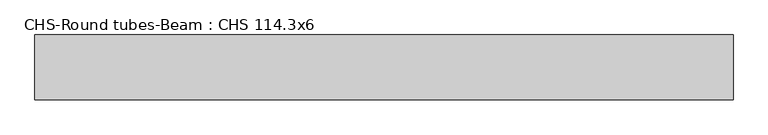
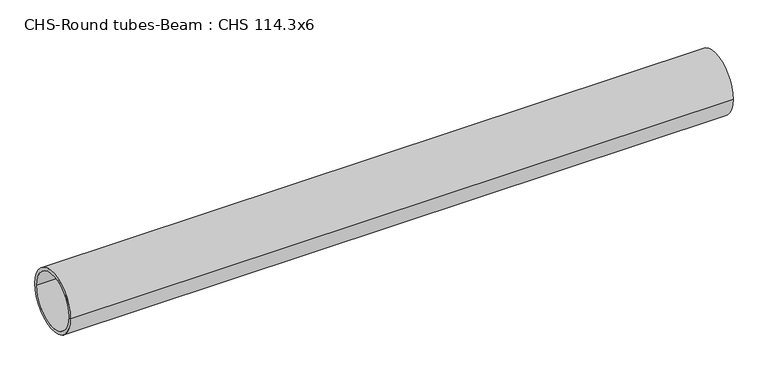
"""IFC4 building model written with IfcOpenShell, lengths in millimetres: beam geometry, CHS-Round tubes-Beam : CHS 114.3x6."""

from ifc_helpers import new_model, si_unit, point, frame, origin, origin_2d, place, context, project, spatial, circle_curve, trimmed, segment, composite_curve, outline, extrude, source, transform, mapped, element, save


def chs_round_tubes_beam_chs_114_3x6_7953896b(model_context):
    return source(origin(), model_context, "Body", "SweptSolid", [
        extrude(outline(composite_curve([segment(trimmed(circle_curve(origin_2d(), 57.15), [point((57.15, 0.0))], [point((-57.15, 0.0))], False, "CARTESIAN"), True, "CONTINUOUS"), segment(trimmed(circle_curve(origin_2d(), 57.15), [point((-57.15, 0.0))], [point((57.15, 0.0))], False, "CARTESIAN"), True, "CONTINUOUS")], self_intersect=False), holes=[composite_curve([segment(trimmed(circle_curve(origin_2d(), 51.15), [point((51.15, 0.0))], [point((-51.15, 0.0))], True, "CARTESIAN"), True, "CONTINUOUS"), segment(trimmed(circle_curve(origin_2d(), 51.15), [point((-51.15, 0.0))], [point((51.15, 0.0))], True, "CARTESIAN"), True, "CONTINUOUS")], self_intersect=False)]), frame((-615.9251565, 0.0, 0.0), z_axis=(1.0, 0.0, 0.0), x_axis=(0.0, 1.0, 0.0)), (0.0, 0.0, 1.0), 1231.8542879),
    ])


if __name__ == "__main__":
    model = new_model("IFC4")
    model_context = context("Model", 3, world=origin())
    ifc_project = project(units=[si_unit("LENGTHUNIT", "METRE", prefix="MILLI")], contexts=[model_context])
    site = spatial("IfcSite", under=ifc_project)
    building = spatial("IfcBuilding", under=site)
    placement = place(None, origin())
    chs_round_tubes_beam_chs_114_3x6_shape = chs_round_tubes_beam_chs_114_3x6_7953896b(model_context)
    element("IfcBeam", 1, ObjectType="CHS-Round tubes-Beam : CHS 114.3x6", at=placement, inside=building, context=model_context, shape_type="MappedRepresentation", body=[
        mapped(chs_round_tubes_beam_chs_114_3x6_shape, transform((0.0, 0.0, 0.0), x_axis=(1.0, 0.0, 0.0), y_axis=(0.0, 1.0, 0.0), z_axis=(0.0, 0.0, 1.0))),
    ])
    save(model, "model.ifc")
